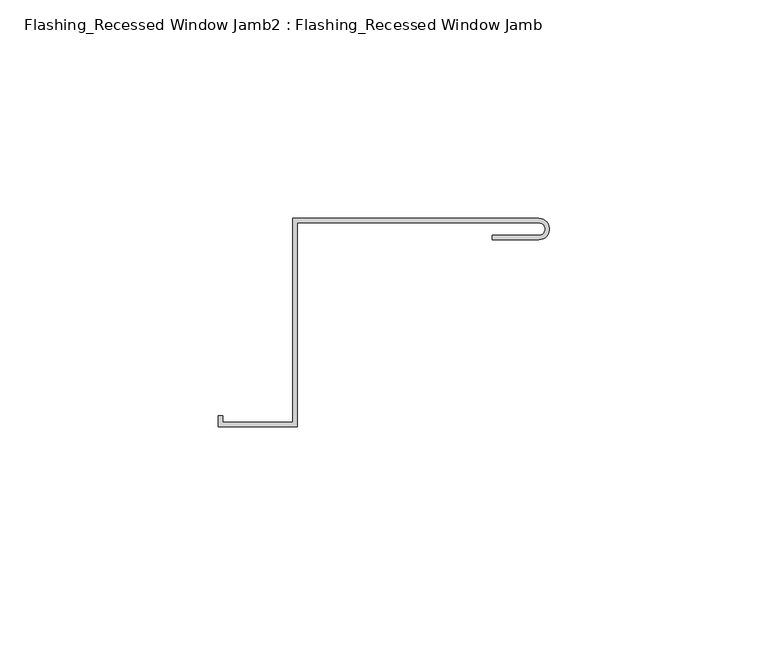
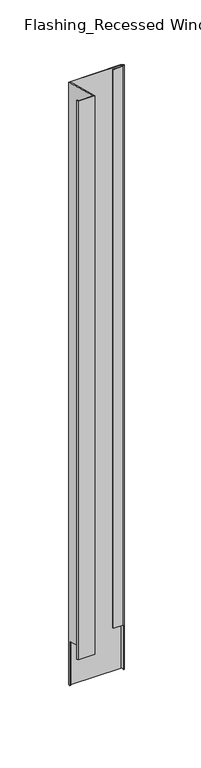
"""IFC4 building model written with IfcOpenShell, lengths in millimetres: proxy geometry, Flashing_Recessed Window Jamb2 : Flashing_Recessed Window Jamb."""

from ifc_helpers import new_model, si_unit, frame, origin, place, context, project, spatial, polyline, circle_curve, ellipse_curve, source, transform, mapped, element, save
from ifc_brep_helpers import plane_surface, cylinder_surface, revolved_surface, advanced_brep


def flashing_recessed_window_jamb2_flashing_recessed_window_jamb_4e0eb571(model_context):
    return source(origin(), model_context, "Body", "AdvancedBrep", [
        advanced_brep(
        [(9682.7845781, 657.7344915, -1036.7382524), (9627.4791786, 657.7344915, -1036.7382524), (9627.4791786, 656.8026399, -1036.7382524), (9626.4791786, 656.8026399, -1036.7382524), (9626.4791786, 658.7344915, -1036.7382524), (9682.7845781, 658.7344915, -1036.7382524), (9683.6606696, 654.0668178, -1036.7382524), (9683.6606696, 655.2059275, -1036.7382524), (9626.4791786, 658.7344915, -343.2151173), (9682.7845781, 658.7344915, -343.2151173), (9626.4791786, 656.8026399, -985.662203), (9626.4791786, 612.0490096, -973.6705039), (9626.4791786, 612.0490096, -330.7057801), (9610.4479286, 612.0490096, -330.7057801), (9610.4479286, 612.0490096, -973.6705039), (9610.4479286, 613.5934881, -331.1196219), (9610.4479286, 613.5934881, -974.0843457), (9609.4479286, 613.5934881, -331.1196219), (9609.4479286, 613.5934881, -974.0843457), (9609.4479286, 611.0490096, -330.4378309), (9609.4479286, 611.0490096, -973.4025548), (9627.4791786, 611.0490096, -330.4378309), (9627.4791786, 611.0490096, -973.4025548), (9627.4791786, 657.7344915, -342.9471681), (9627.4791786, 656.8026399, -985.662203), (9682.7845781, 657.7344915, -342.9471681), (9682.7845781, 653.9023812, -341.9203573), (9672.1202339, 653.9023812, -341.9203573), (9672.1202339, 653.9023812, -984.8850811), (9682.7845781, 653.9023812, -984.8850811), (9672.1202339, 654.9023812, -342.1883065), (9672.1202339, 654.9023812, -985.1530303), (9682.7845781, 654.9023812, -342.1883065), (9682.7845781, 654.9023812, -985.1530303), (9683.6606696, 655.2059275, -985.2343652), (9683.6606696, 654.0668178, -984.9291417)],
        [
            (0, 1),
            (1, 2),
            (2, 3),
            (3, 4),
            (4, 5),
            (5, 6, circle_curve(frame((9682.7845781, 656.3184364, -1036.7382524), z_axis=(0.0, 0.0, -1.0), x_axis=(1.0, 0.0, 0.0)), 2.4160552)),
            (6, 7),
            (7, 0, circle_curve(frame((9682.7845781, 656.3184364, -1036.7382524), z_axis=(0.0, 0.0, 1.0), x_axis=(1.0, 0.0, 0.0)), 1.4160552)),
            (4, 8),
            (8, 9),
            (9, 5),
            (3, 10),
            (10, 11),
            (11, 12),
            (12, 8),
            (13, 12),
            (11, 14),
            (14, 13),
            (15, 13),
            (14, 16),
            (16, 15),
            (17, 15),
            (16, 18),
            (18, 17),
            (19, 17),
            (18, 20),
            (20, 19),
            (21, 19),
            (20, 22),
            (22, 21),
            (1, 23),
            (23, 21),
            (22, 24),
            (24, 2),
            (0, 25),
            (25, 23),
            (26, 27),
            (27, 28),
            (28, 29),
            (29, 26),
            (27, 30),
            (30, 31),
            (31, 28),
            (30, 32),
            (32, 33),
            (33, 31),
            (7, 34),
            (34, 33, ellipse_curve(frame((9682.7845781, 656.3184364, -985.5324611), z_axis=(0.0, -0.25881904510252046, -0.9659258262890684), x_axis=(0.0, 0.9659258262890684, -0.25881904510251985)), 1.4660082, 1.4160552)),
            (32, 25, ellipse_curve(frame((9682.7845781, 656.3184364, -342.5677373), z_axis=(0.0, 0.2588190451025206, 0.9659258262890683), x_axis=(0.0, 0.9659258262890683, -0.25881904510252063)), 1.4660082, 1.4160552)),
            (9, 26, ellipse_curve(frame((9682.7845781, 656.3184364, -342.5677373), z_axis=(0.0, -0.2588190451025206, -0.9659258262890683), x_axis=(0.0, -0.9659258262890683, 0.25881904510252063)), 2.5012844, 2.4160552)),
            (29, 35, ellipse_curve(frame((9682.7845781, 656.3184364, -985.5324611), z_axis=(0.0, 0.25881904510252046, 0.9659258262890684), x_axis=(0.0, -0.9659258262890684, 0.25881904510251985)), 2.5012844, 2.4160552)),
            (35, 6),
            (35, 34),
            (10, 24),
        ],
        [
            plane_surface(frame((9611.4791786, 612.0490096, -1036.7382524), z_axis=(0.0, 0.0, -1.0), x_axis=(1.0, 0.0, 0.0))),
            plane_surface(frame((9682.7845781, 658.7344915, -277.6721404), z_axis=(0.0, 1.0, 0.0), x_axis=(0.0, 0.0, -1.0))),
            plane_surface(frame((9626.4791786, 658.7344915, -277.6721404), z_axis=(-1.0, 0.0, 0.0), x_axis=(0.0, 0.0, -1.0))),
            plane_surface(frame((9626.4791786, 612.0490096, -277.6721404), z_axis=(0.0, 1.0, 0.0), x_axis=(0.0, 0.0, -1.0))),
            plane_surface(frame((9610.4479286, 612.0490096, -277.6721404), z_axis=(1.0, 0.0, 0.0), x_axis=(0.0, 0.0, -1.0))),
            plane_surface(frame((9610.4479286, 613.5934881, -277.6721404), z_axis=(0.0, 1.0, 0.0), x_axis=(0.0, 0.0, -1.0))),
            plane_surface(frame((9609.4479286, 613.5934881, -277.6721404), z_axis=(-1.0, 0.0, 0.0), x_axis=(0.0, 0.0, -1.0))),
            plane_surface(frame((9609.4479286, 611.0490096, -277.6721404), z_axis=(0.0, -1.0, 0.0), x_axis=(0.0, 0.0, -1.0))),
            plane_surface(frame((9627.4791786, 611.0490096, -277.6721404), z_axis=(1.0, 0.0, 0.0), x_axis=(0.0, 0.0, -1.0))),
            plane_surface(frame((9627.4791786, 657.7344915, -277.6721404), z_axis=(0.0, -1.0, 0.0), x_axis=(0.0, 0.0, -1.0))),
            plane_surface(frame((9672.1202339, 653.9023812, -277.6721404), z_axis=(0.0, -1.0, 0.0), x_axis=(0.0, 0.0, -1.0))),
            plane_surface(frame((9672.1202339, 654.9023812, -277.6721404), z_axis=(-1.0, 0.0, 0.0), x_axis=(0.0, 0.0, -1.0))),
            plane_surface(frame((9682.7845781, 654.9023812, -277.6721404), z_axis=(0.0, 1.0, 0.0), x_axis=(0.0, 0.0, -1.0))),
            revolved_surface(polyline([(9684.200633299999, 656.3184364, -1036.7382524), (9684.200633299999, 656.3184364, -342.1883064575635)]), (9682.7845781, 656.3184364, -1036.7382524), (0.0, 0.0, -1.0)),
            cylinder_surface(frame((9682.7845781, 656.3184364, -1036.7382524), z_axis=(0.0, 0.0, 1.0), x_axis=(1.0, 0.0, 0.0)), 2.4160552),
            plane_surface(frame((9516.4791786, 682.2658889, -349.5203362), z_axis=(0.0, 0.2588190451025206, 0.9659258262890683), x_axis=(1.0, 0.0, 0.0))),
            plane_surface(frame((9683.6606696, 985.9989484, -1301.2959937), z_axis=(-1.0, 0.0, 0.0), x_axis=(0.0, 0.9659258262890683, -0.2588190451025206))),
            plane_surface(frame((9516.4791786, 56.8026399, -824.8926876), z_axis=(0.0, -0.25881904510252046, -0.9659258262890684), x_axis=(1.0, 0.0, 0.0))),
            plane_surface(frame((9516.4791786, 656.8026399, -985.662203), z_axis=(0.0, -1.0, 0.0), x_axis=(1.0, 0.0, 0.0))),
        ],
        [
            (0, [[1, 2, 3, 4, 5, 6, 7, 8]]),
            (1, [[-5, 9, 10, 11]]),
            (2, [[-9, -4, 12, 13, 14, 15]]),
            (3, [[16, -14, 17, 18]]),
            (4, [[19, -18, 20, 21]]),
            (5, [[22, -21, 23, 24]]),
            (6, [[25, -24, 26, 27]]),
            (7, [[28, -27, 29, 30]]),
            (8, [[31, 32, -30, 33, 34, -2]]),
            (9, [[-1, 35, 36, -31]]),
            (10, [[37, 38, 39, 40]]),
            (11, [[41, 42, 43, -38]]),
            (12, [[44, 45, 46, -42]]),
            (13, [[-35, -8, 47, 48, -45, 49]]),
            (14, [[-11, 50, -40, 51, 52, -6]]),
            (15, [[-10, -15, -16, -19, -22, -25, -28, -32, -36, -49, -44, -41, -37, -50]]),
            (16, [[53, -47, -7, -52]]),
            (17, [[-53, -51, -39, -43, -46, -48]]),
            (17, [[54, -33, -29, -26, -23, -20, -17, -13]]),
            (18, [[-54, -12, -3, -34]]),
        ],
    ),
    ])


if __name__ == "__main__":
    model = new_model("IFC4")
    model_context = context("Model", 3, world=origin())
    ifc_project = project(units=[si_unit("LENGTHUNIT", "METRE", prefix="MILLI")], contexts=[model_context])
    site = spatial("IfcSite", under=ifc_project)
    building = spatial("IfcBuilding", under=site)
    placement = place(None, origin())
    flashing_recessed_window_jamb2_flashing_recessed_window_jamb_shape = flashing_recessed_window_jamb2_flashing_recessed_window_jamb_4e0eb571(model_context)
    element("IfcBuildingElementProxy", 1, Name="Flashing_Recessed Window Jamb2 : Flashing_Recessed Window Jamb", ObjectType="Flashing_Recessed Window Jamb2 : Flashing_Recessed Window Jamb", at=placement, inside=building, context=model_context, shape_type="MappedRepresentation", body=[
        mapped(flashing_recessed_window_jamb2_flashing_recessed_window_jamb_shape, transform((0.0, 0.0, 0.0), x_axis=(1.0, 0.0, 0.0), y_axis=(0.0, 1.0, 0.0), z_axis=(0.0, 0.0, 1.0))),
    ])
    save(model, "model.ifc")
